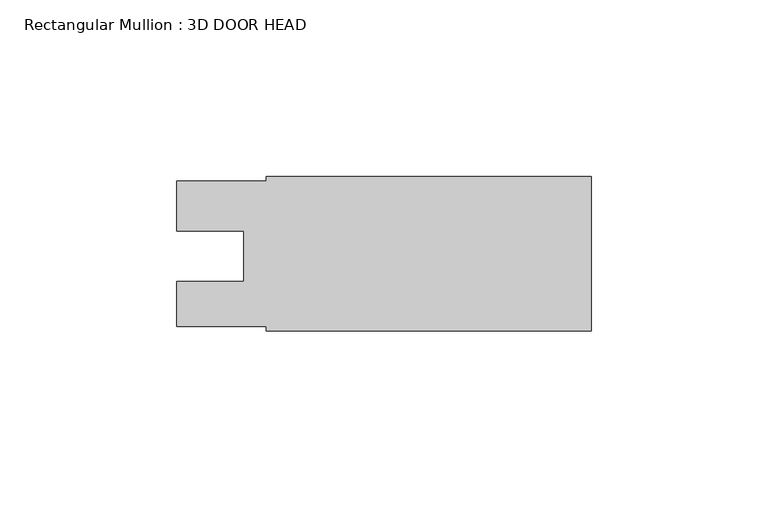
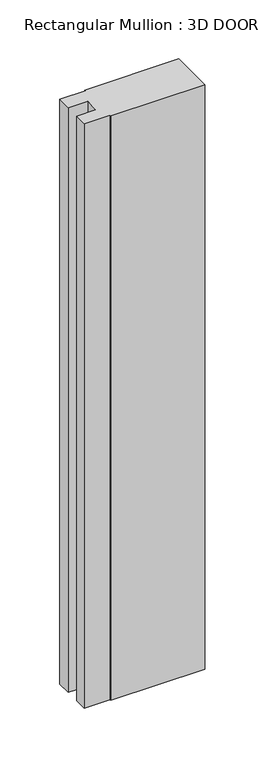
"""IFC4 building model written with IfcOpenShell, lengths in millimetres: member geometry, Rectangular Mullion : 3D DOOR HEAD."""

from ifc_helpers import new_model, si_unit, frame, origin, place, context, project, spatial, polyline, outline, extrude, source, transform, mapped, element, save


def rectangular_mullion_3d_door_head_925632f3(model_context):
    return source(origin(), model_context, "Body", "SweptSolid", [
        extrude(outline(polyline([(0.0, 60.50915), (0.0, 16.71955), (-92.075, 16.71955), (-92.075, 17.98955), (-117.475, 17.98955), (-117.475, 30.70225), (-98.4377009, 30.70225), (-98.4377009, 44.98975), (-117.475, 44.98975), (-117.475, 59.2518337), (-92.075, 59.2518337), (-92.075, 60.50915), (0.0, 60.50915)])), frame((0.0, 0.0, -605.286998), z_axis=(0.0, 0.0, 1.0), x_axis=(1.0, 0.0, 0.0)), (0.0, 0.0, 1.0), 605.286998),
    ])


if __name__ == "__main__":
    model = new_model("IFC4")
    model_context = context("Model", 3, world=origin())
    ifc_project = project(units=[si_unit("LENGTHUNIT", "METRE", prefix="MILLI")], contexts=[model_context])
    site = spatial("IfcSite", under=ifc_project)
    building = spatial("IfcBuilding", under=site)
    placement = place(None, origin())
    rectangular_mullion_3d_door_head_shape = rectangular_mullion_3d_door_head_925632f3(model_context)
    element("IfcMember", 1, ObjectType="Rectangular Mullion : 3D DOOR HEAD", at=placement, inside=building, context=model_context, shape_type="MappedRepresentation", body=[
        mapped(rectangular_mullion_3d_door_head_shape, transform((0.0, 0.0, 0.0), x_axis=(1.0, 0.0, 0.0), y_axis=(0.0, 1.0, 0.0), z_axis=(0.0, 0.0, 1.0))),
    ])
    save(model, "model.ifc")
